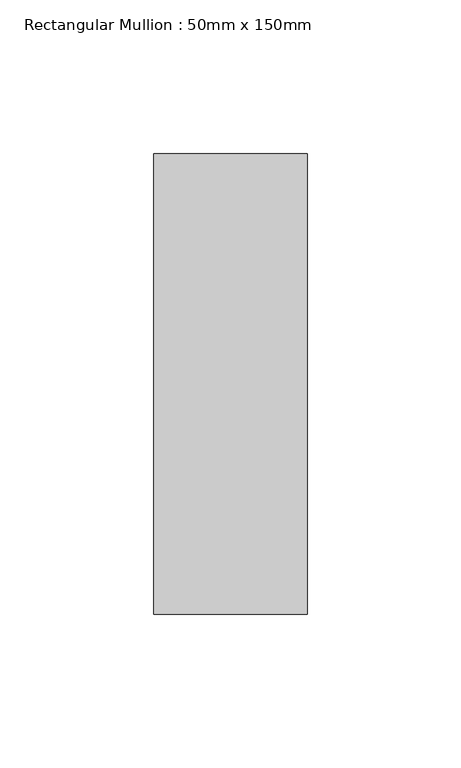
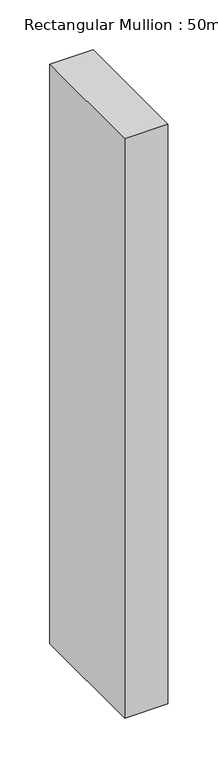
"""IFC4 building model written with IfcOpenShell, lengths in millimetres: member geometry, Rectangular Mullion : 50mm x 150mm."""

from ifc_helpers import new_model, si_unit, frame, origin, place, context, project, spatial, polyline, outline, extrude, source, transform, mapped, element, save


def rectangular_mullion_50mm_x_150mm_a09bf7f6(model_context):
    return source(origin(), model_context, "Body", "SweptSolid", [
        extrude(outline(polyline([(0.0, 75.0), (0.0, -75.0), (-50.0, -75.0), (-50.0, 75.0), (0.0, 75.0)])), frame((0.0, 0.0, -709.1320024), z_axis=(0.0, 0.0, 1.0), x_axis=(1.0, 0.0, 0.0)), (0.0, 0.0, 1.0), 709.1320024),
    ])


if __name__ == "__main__":
    model = new_model("IFC4")
    model_context = context("Model", 3, world=origin())
    ifc_project = project(units=[si_unit("LENGTHUNIT", "METRE", prefix="MILLI")], contexts=[model_context])
    site = spatial("IfcSite", under=ifc_project)
    building = spatial("IfcBuilding", under=site)
    placement = place(None, origin())
    rectangular_mullion_50mm_x_150mm_shape = rectangular_mullion_50mm_x_150mm_a09bf7f6(model_context)
    element("IfcMember", 1, ObjectType="Rectangular Mullion : 50mm x 150mm", at=placement, inside=building, context=model_context, shape_type="MappedRepresentation", body=[
        mapped(rectangular_mullion_50mm_x_150mm_shape, transform((0.0, 0.0, 0.0), x_axis=(1.0, 0.0, 0.0), y_axis=(0.0, 1.0, 0.0), z_axis=(0.0, 0.0, 1.0))),
    ])
    save(model, "model.ifc")
